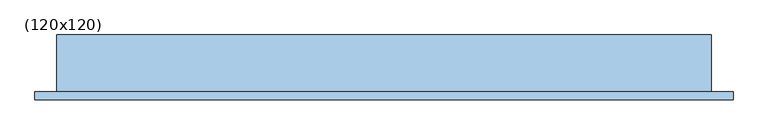
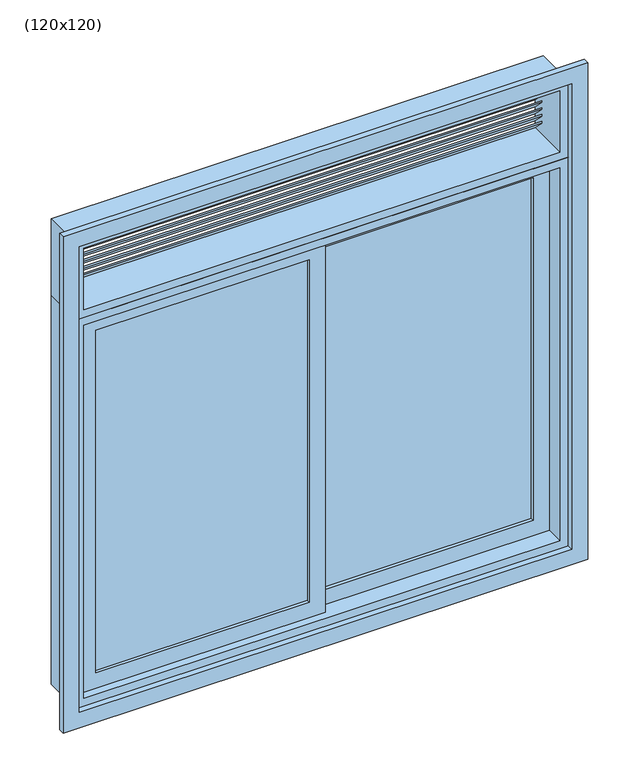
"""IFC4 building model written with IfcOpenShell, lengths in millimetres: window geometry, (120x120)."""

from ifc_helpers import new_model, si_unit, frame, origin, place, context, project, spatial, polyline, outline, extrude, source, transform, mapped, element, save


def window_120x120_44cf9a2a(model_context):
    return source(origin(), model_context, "Body", "SweptSolid", [
        extrude(outline(polyline([(545.0, 47.0833333), (20.0, 47.0833333), (20.0, 55.4166667), (545.0, 55.4166667), (545.0, 47.0833333)])), frame((0.0, 0.0, 1060.0), z_axis=(0.0, 0.0, 1.0), x_axis=(1.0, 0.0, 0.0)), (0.0, 0.0, 1.0), 890.0),
        extrude(outline(polyline([(-20.0, 22.0833333), (-545.0, 22.0833333), (-545.0, 30.4166667), (-20.0, 30.4166667), (-20.0, 22.0833333)])), frame((0.0, 0.0, 1060.0), z_axis=(0.0, 0.0, 1.0), x_axis=(1.0, 0.0, 0.0)), (0.0, 0.0, 1.0), 890.0),
        extrude(outline(polyline([(1990.0, -20.0), (1020.0, -20.0), (1020.0, 585.0), (1990.0, 585.0), (1990.0, -20.0)]), holes=[polyline([(1950.0, 545.0), (1060.0, 545.0), (1060.0, 20.0), (1950.0, 20.0), (1950.0, 545.0)])]), frame((0.0, 38.75, 0.0), z_axis=(0.0, 1.0, 0.0), x_axis=(0.0, 0.0, 1.0)), (0.0, 0.0, 1.0), 25.0),
        extrude(outline(polyline([(1990.0, 20.0), (1990.0, -585.0), (1020.0, -585.0), (1020.0, 20.0), (1990.0, 20.0)]), holes=[polyline([(1060.0, -20.0), (1060.0, -545.0), (1950.0, -545.0), (1950.0, -20.0), (1060.0, -20.0)])]), frame((0.0, 13.75, 0.0), z_axis=(0.0, 1.0, 0.0), x_axis=(0.0, 0.0, 1.0)), (0.0, 0.0, 1.0), 25.0),
        extrude(outline(polyline([(2010.0, -605.0), (1000.0, -605.0), (1000.0, 605.0), (2010.0, 605.0), (2010.0, -605.0)]), holes=[polyline([(1020.0, -585.0), (1990.0, -585.0), (1990.0, 585.0), (1020.0, 585.0), (1020.0, -585.0)])]), frame((0.0, -6.25, 0.0), z_axis=(0.0, 1.0, 0.0), x_axis=(0.0, 0.0, 1.0)), (0.0, 0.0, 1.0), 105.0),
        extrude(outline(polyline([(960.0, -645.0), (960.0, 645.0), (2250.0, 645.0), (2250.0, -645.0), (960.0, -645.0)]), holes=[polyline([(2210.0, -605.0), (2210.0, 605.0), (1000.0, 605.0), (1000.0, -605.0), (2210.0, -605.0)])]), frame((0.0, -21.25, 0.0), z_axis=(0.0, 1.0, 0.0), x_axis=(0.0, 0.0, 1.0)), (0.0, 0.0, 1.0), 15.0),
        extrude(outline(polyline([(2210.0, 605.0), (2210.0, -605.0), (2010.0, -605.0), (2010.0, 605.0), (2210.0, 605.0)]), holes=[polyline([(2030.0, 585.0), (2030.0, -585.0), (2190.0, -585.0), (2190.0, 585.0), (2030.0, 585.0)])]), frame((0.0, -6.25, 0.0), z_axis=(0.0, 1.0, 0.0), x_axis=(0.0, 0.0, 1.0)), (0.0, 0.0, 1.0), 105.0),
        extrude(outline(polyline([(98.75, 2161.7157288), (98.75, 2156.7157288), (70.4657288, 2185.0), (70.4657288, 2190.0), (98.75, 2161.7157288)])), frame((-585.0, 0.0, 0.0), z_axis=(1.0, 0.0, 0.0), x_axis=(0.0, 1.0, 0.0)), (0.0, 0.0, 1.0), 1170.0),
        extrude(outline(polyline([(98.75, 2143.6157288), (98.75, 2138.6157288), (70.4657288, 2166.9), (70.4657288, 2171.9), (98.75, 2143.6157288)])), frame((-585.0, 0.0, 0.0), z_axis=(1.0, 0.0, 0.0), x_axis=(0.0, 1.0, 0.0)), (0.0, 0.0, 1.0), 1170.0),
        extrude(outline(polyline([(98.75, 2125.5157288), (98.75, 2120.5157288), (70.4657288, 2148.8), (70.4657288, 2153.8), (98.75, 2125.5157288)])), frame((-585.0, 0.0, 0.0), z_axis=(1.0, 0.0, 0.0), x_axis=(0.0, 1.0, 0.0)), (0.0, 0.0, 1.0), 1170.0),
        extrude(outline(polyline([(98.75, 2107.4157288), (98.75, 2102.4157288), (70.4657288, 2130.7), (70.4657288, 2135.7), (98.75, 2107.4157288)])), frame((-585.0, 0.0, 0.0), z_axis=(1.0, 0.0, 0.0), x_axis=(0.0, 1.0, 0.0)), (0.0, 0.0, 1.0), 1170.0),
        extrude(outline(polyline([(98.75, 2071.2157288), (98.75, 2066.2157288), (70.4657288, 2094.5), (70.4657288, 2099.5), (98.75, 2071.2157288)])), frame((-585.0, 0.0, 0.0), z_axis=(1.0, 0.0, 0.0), x_axis=(0.0, 1.0, 0.0)), (0.0, 0.0, 1.0), 1170.0),
        extrude(outline(polyline([(98.75, 2053.1157288), (98.75, 2048.1157288), (70.4657288, 2076.4), (70.4657288, 2081.4), (98.75, 2053.1157288)])), frame((-585.0, 0.0, 0.0), z_axis=(1.0, 0.0, 0.0), x_axis=(0.0, 1.0, 0.0)), (0.0, 0.0, 1.0), 1170.0),
        extrude(outline(polyline([(98.75, 2035.0157288), (98.75, 2030.0157288), (70.4657288, 2058.3), (70.4657288, 2063.3), (98.75, 2035.0157288)])), frame((-585.0, 0.0, 0.0), z_axis=(1.0, 0.0, 0.0), x_axis=(0.0, 1.0, 0.0)), (0.0, 0.0, 1.0), 1170.0),
        extrude(outline(polyline([(98.75, 2089.3157288), (98.75, 2084.3157288), (70.4657288, 2112.6), (70.4657288, 2117.6), (98.75, 2089.3157288)])), frame((-585.0, 0.0, 0.0), z_axis=(1.0, 0.0, 0.0), x_axis=(0.0, 1.0, 0.0)), (0.0, 0.0, 1.0), 1170.0),
    ])


if __name__ == "__main__":
    model = new_model("IFC4")
    model_context = context("Model", 3, world=origin())
    ifc_project = project(units=[si_unit("LENGTHUNIT", "METRE", prefix="MILLI")], contexts=[model_context])
    site = spatial("IfcSite", under=ifc_project)
    building = spatial("IfcBuilding", under=site)
    placement = place(None, origin())
    window_120x120_shape = window_120x120_44cf9a2a(model_context)
    element("IfcWindow", 1, ObjectType="(120x120)", at=placement, inside=building, context=model_context, shape_type="MappedRepresentation", body=[
        mapped(window_120x120_shape, transform((0.0, 0.0, 0.0), x_axis=(1.0, 0.0, 0.0), y_axis=(0.0, 1.0, 0.0), z_axis=(0.0, 0.0, 1.0))),
    ])
    save(model, "model.ifc")
